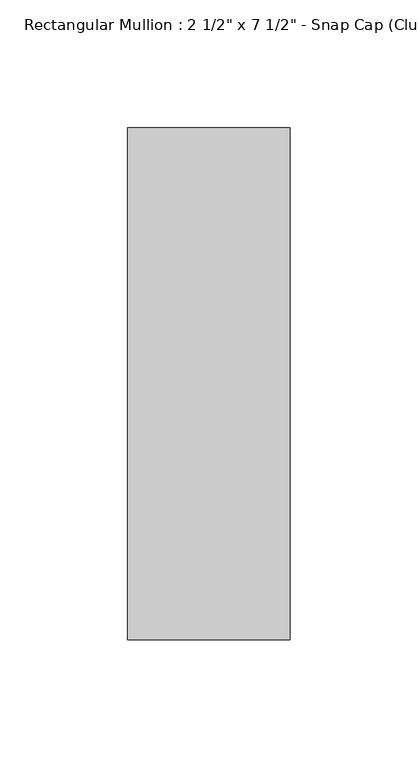
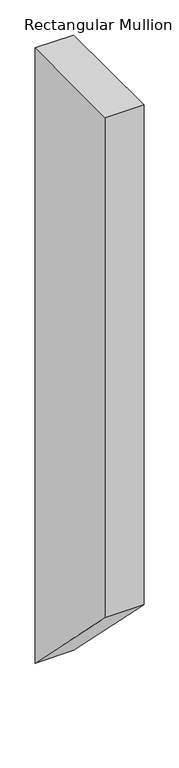
"""IFC4 building model written with IfcOpenShell, lengths in millimetres: member geometry."""

import ifcopenshell
import ifcopenshell.guid

model = None  # the IFC model being written
_history = None  # IfcOwnerHistory: only IFC2X3 demands one
_inside = {}  # id of a spatial element -> (the spatial element, [elements in it])
_under = {}  # id of a project, library or spatial element -> (it, [spatial elements below it])
_declared = {}  # id of a project -> (the project, [libraries it declares])
_typed = {}  # id of a type object -> (the type object, [elements of that type])
_made_of = {}  # id of a material, layer set ... -> (it, [elements and type objects made of it])


def new_model(schema):
    """Start an empty IFC model of exactly this schema.

    Asked for "IFC4X3", IfcOpenShell would pick the latest addendum, in which some entities
    have other attributes; the version numbers below select the first issue.
    IFC2X3 requires an IfcOwnerHistory on every rooted entity: one is made here for all.
    """
    global model, _history
    if schema == "IFC4X3":
        model = ifcopenshell.file(schema_version=(4, 3, 0, 0))
    else:
        model = ifcopenshell.file(schema=schema)
    _inside.clear()
    _under.clear()
    _declared.clear()
    _typed.clear()
    _made_of.clear()
    _history = None
    if model.schema == "IFC2X3":
        org = make("IfcOrganization", Name="unknown")
        user = make(
            "IfcPersonAndOrganization",
            ThePerson=make("IfcPerson", FamilyName="unknown"),
            TheOrganization=org,
        )
        app = make(
            "IfcApplication",
            ApplicationDeveloper=org,
            Version="unknown",
            ApplicationFullName="unknown",
            ApplicationIdentifier="unknown",
        )
        _history = make(
            "IfcOwnerHistory",
            OwningUser=user,
            OwningApplication=app,
            ChangeAction="ADDED",
            CreationDate=0,
        )
    return model


def make(cls, **values):
    """One entity of the class cls with the attributes given. An attribute that is None is left unset."""
    return model.create_entity(
        cls, **{name: value for name, value in values.items() if value is not None}
    )


def rooted(cls, **values):
    """An entity with a GlobalId (a new one), such as an element, a storey or a relation."""
    return make(cls, GlobalId=ifcopenshell.guid.new(), OwnerHistory=_history, **values)


def si_unit(unit_type, name, prefix=None):
    """IfcSIUnit, for example si_unit("LENGTHUNIT", "METRE", prefix="MILLI")."""
    return make("IfcSIUnit", UnitType=unit_type, Prefix=prefix, Name=name)


def assignment(units):
    """IfcUnitAssignment: the units of a project."""
    return None if units is None else make("IfcUnitAssignment", Units=units)


def point(xyz):
    """IfcCartesianPoint."""
    return None if xyz is None else make("IfcCartesianPoint", Coordinates=xyz)


def direction(xyz):
    """IfcDirection."""
    return None if xyz is None else make("IfcDirection", DirectionRatios=xyz)


def frame(location, z_axis=None, x_axis=None):
    """IfcAxis2Placement3D, a coordinate frame: its origin and axes. An axis left out is left unset."""
    return make(
        "IfcAxis2Placement3D",
        Location=point(location),
        Axis=direction(z_axis),
        RefDirection=direction(x_axis),
    )


def origin():
    """The frame at (0, 0, 0) with its axes left unset."""
    return frame((0.0, 0.0, 0.0))


def place(relative_to, where):
    """IfcLocalPlacement: puts the frame where relative to a parent placement (None: the world)."""
    return make(
        "IfcLocalPlacement", PlacementRelTo=relative_to, RelativePlacement=where
    )


def context(
    kind, dimensions, precision=None, world=None, true_north=None, identifier=None
):
    """IfcGeometricRepresentationContext, for example the 3D "Model" context."""
    return make(
        "IfcGeometricRepresentationContext",
        ContextIdentifier=identifier,
        ContextType=kind,
        CoordinateSpaceDimension=dimensions,
        Precision=precision,
        WorldCoordinateSystem=world,
        TrueNorth=true_north,
    )


def project(units=None, contexts=None):
    """IfcProject with its units and contexts."""
    return rooted(
        "IfcProject",
        Name="project",
        RepresentationContexts=contexts,
        UnitsInContext=assignment(units),
    )


def spatial(cls, under=None, at=None, **own):
    """A site, building, storey or space (cls), placed at a placement, below another one or the project."""
    s = rooted(cls, ObjectPlacement=at, **own)
    if under is not None:
        _under.setdefault(under.id(), (under, []))[1].append(s)
    return s


def polyline(points):
    """IfcPolyline through the points."""
    return make("IfcPolyline", Points=[point(p) for p in points])


def outline(outer, holes=None, kind="AREA"):
    """IfcArbitraryClosedProfileDef: a profile drawn as a closed curve; with holes, ...WithVoids."""
    if holes is None:
        return make("IfcArbitraryClosedProfileDef", ProfileType=kind, OuterCurve=outer)
    return make(
        "IfcArbitraryProfileDefWithVoids",
        ProfileType=kind,
        OuterCurve=outer,
        InnerCurves=holes,
    )


def extrude(swept, where, along, depth):
    """IfcExtrudedAreaSolid: the profile swept, set in the frame where, extruded along a direction by depth."""
    return make(
        "IfcExtrudedAreaSolid",
        SweptArea=swept,
        Position=where,
        ExtrudedDirection=direction(along),
        Depth=depth,
    )


def shape(context_of_items, identifier, shape_type, items):
    """IfcShapeRepresentation: the items that make up one representation, for example the "Body"."""
    return make(
        "IfcShapeRepresentation",
        ContextOfItems=context_of_items,
        RepresentationIdentifier=identifier,
        RepresentationType=shape_type,
        Items=items,
    )


def source(mapping_origin, context_of_items, identifier, shape_type, items):
    """IfcRepresentationMap: a shape defined once, which mapped items show again and again."""
    return make(
        "IfcRepresentationMap",
        MappingOrigin=mapping_origin,
        MappedRepresentation=shape(context_of_items, identifier, shape_type, items),
    )


def transform(
    local_origin,
    x_axis=None,
    y_axis=None,
    z_axis=None,
    scale=None,
    scale2=None,
    scale3=None,
    uniform=True,
):
    """IfcCartesianTransformationOperator3D, or its non-uniform kind. x_axis, y_axis, z_axis: its Axis1, 2, 3."""
    if uniform:
        return make(
            "IfcCartesianTransformationOperator3D",
            Axis1=direction(x_axis),
            Axis2=direction(y_axis),
            LocalOrigin=point(local_origin),
            Scale=scale,
            Axis3=direction(z_axis),
        )
    return make(
        "IfcCartesianTransformationOperator3DnonUniform",
        Axis1=direction(x_axis),
        Axis2=direction(y_axis),
        LocalOrigin=point(local_origin),
        Scale=scale,
        Axis3=direction(z_axis),
        Scale2=scale2,
        Scale3=scale3,
    )


def mapped(mapping_source, mapping_target):
    """IfcMappedItem: shows the shape of a source again, moved by a transform."""
    return make(
        "IfcMappedItem", MappingSource=mapping_source, MappingTarget=mapping_target
    )


def made_of(thing, what):
    """Note that an element or type object is made of a material, layer set ...; save() writes the relation."""
    if what is not None:
        _made_of.setdefault(what.id(), (what, []))[1].append(thing)
    return thing


def element(
    cls,
    number,
    at=None,
    inside=None,
    cuts=None,
    type_object=None,
    material=None,
    context=None,
    identifier="Body",
    shape_type=None,
    held_by="IfcProductDefinitionShape",
    body=None,
    shapes=None,
    **own,
):
    """One element of the class cls, such as IfcWall. Its Tag is "e" and its number.

    at: its placement. inside: the storey or other place that contains it. cuts: it is an
    opening in that element (IfcRelVoidsElement). A single representation is given by context,
    identifier, shape_type and body (its items); several are given by shapes. held_by: the class
    of the entity that holds the representations. save() writes the other relations.
    """
    e = rooted(cls, Tag="e%d" % number, ObjectPlacement=at, **own)
    if body is not None:
        shapes = [shape(context, identifier, shape_type, body)]
    if shapes is not None:
        e.Representation = make(held_by, Representations=shapes)
    if inside is not None:
        _inside.setdefault(inside.id(), (inside, []))[1].append(e)
    if cuts is not None:
        rooted(
            "IfcRelVoidsElement", RelatingBuildingElement=cuts, RelatedOpeningElement=e
        )
    if type_object is not None:
        _typed.setdefault(type_object.id(), (type_object, []))[1].append(e)
    return made_of(e, material)


def aggregate(whole, parts):
    """IfcRelAggregates: a whole, such as a stair, and the parts it consists of."""
    return rooted("IfcRelAggregates", RelatingObject=whole, RelatedObjects=parts)


def save(model, path):
    """Write the relations noted so far, then the file.

    IfcRelAggregates (storeys below a building ...), IfcRelContainedInSpatialStructure (elements
    in a storey), IfcRelDefinesByType, IfcRelAssociatesMaterial and IfcRelDeclares: one each for
    every whole, place, type object, material and project.
    """
    for whole, parts in _under.values():
        aggregate(whole, parts)
    for where, things in _inside.values():
        rooted(
            "IfcRelContainedInSpatialStructure",
            RelatedElements=things,
            RelatingStructure=where,
        )
    for kind, things in _typed.values():
        rooted("IfcRelDefinesByType", RelatedObjects=things, RelatingType=kind)
    for what, things in _made_of.values():
        rooted("IfcRelAssociatesMaterial", RelatedObjects=things, RelatingMaterial=what)
    for by, libraries in _declared.values():
        rooted("IfcRelDeclares", RelatingContext=by, RelatedDefinitions=libraries)
    model.write(path)


def member_72aeac7f(model_context):
    return source(origin(), model_context, "Body", "SweptSolid", [
        extrude(outline(polyline([(-174.2, 0.0), (25.8, 0.0), (25.8, -1069.0727273), (-174.2, -869.0727273), (-174.2, 0.0)])), frame((-63.5, 0.0, 0.0), z_axis=(1.0, 0.0, 0.0), x_axis=(0.0, 1.0, 0.0)), (0.0, 0.0, 1.0), 63.5),
    ])


if __name__ == "__main__":
    model = new_model("IFC4")
    model_context = context("Model", 3, world=origin())
    ifc_project = project(units=[si_unit("LENGTHUNIT", "METRE", prefix="MILLI")], contexts=[model_context])
    site = spatial("IfcSite", under=ifc_project)
    building = spatial("IfcBuilding", under=site)
    placement = place(None, origin())
    member_shape = member_72aeac7f(model_context)
    element("IfcMember", 1, ObjectType="Rectangular Mullion : 2 1/2\" x 7 1/2\" - Snap Cap (Club)", at=placement, inside=building, context=model_context, shape_type="MappedRepresentation", body=[
        mapped(member_shape, transform((0.0, 0.0, 0.0), x_axis=(1.0, 0.0, 0.0), y_axis=(0.0, 1.0, 0.0), z_axis=(0.0, 0.0, 1.0))),
    ])
    save(model, "model.ifc")
